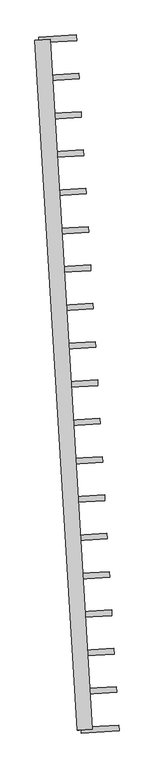
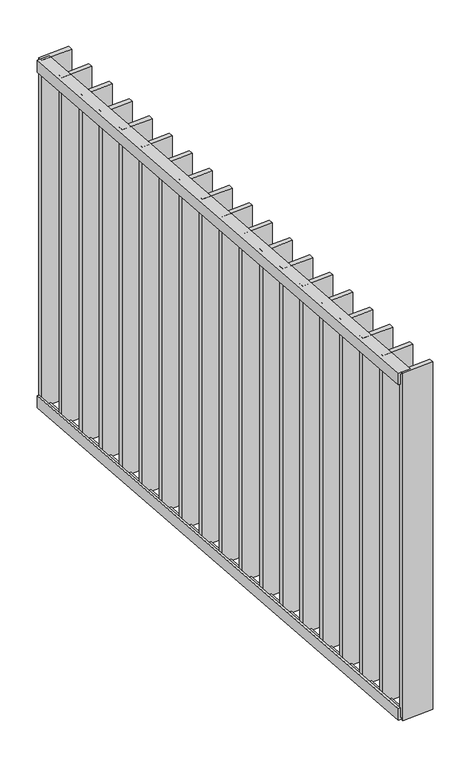
"""IFC4 building model written with IfcOpenShell, lengths in millimetres: railing geometry."""

import ifcopenshell
import ifcopenshell.guid

model = None  # the IFC model being written
_history = None  # IfcOwnerHistory: only IFC2X3 demands one
_inside = {}  # id of a spatial element -> (the spatial element, [elements in it])
_under = {}  # id of a project, library or spatial element -> (it, [spatial elements below it])
_declared = {}  # id of a project -> (the project, [libraries it declares])
_typed = {}  # id of a type object -> (the type object, [elements of that type])
_made_of = {}  # id of a material, layer set ... -> (it, [elements and type objects made of it])


def new_model(schema):
    """Start an empty IFC model of exactly this schema.

    Asked for "IFC4X3", IfcOpenShell would pick the latest addendum, in which some entities
    have other attributes; the version numbers below select the first issue.
    IFC2X3 requires an IfcOwnerHistory on every rooted entity: one is made here for all.
    """
    global model, _history
    if schema == "IFC4X3":
        model = ifcopenshell.file(schema_version=(4, 3, 0, 0))
    else:
        model = ifcopenshell.file(schema=schema)
    _inside.clear()
    _under.clear()
    _declared.clear()
    _typed.clear()
    _made_of.clear()
    _history = None
    if model.schema == "IFC2X3":
        org = make("IfcOrganization", Name="unknown")
        user = make(
            "IfcPersonAndOrganization",
            ThePerson=make("IfcPerson", FamilyName="unknown"),
            TheOrganization=org,
        )
        app = make(
            "IfcApplication",
            ApplicationDeveloper=org,
            Version="unknown",
            ApplicationFullName="unknown",
            ApplicationIdentifier="unknown",
        )
        _history = make(
            "IfcOwnerHistory",
            OwningUser=user,
            OwningApplication=app,
            ChangeAction="ADDED",
            CreationDate=0,
        )
    return model


def make(cls, **values):
    """One entity of the class cls with the attributes given. An attribute that is None is left unset."""
    return model.create_entity(
        cls, **{name: value for name, value in values.items() if value is not None}
    )


def rooted(cls, **values):
    """An entity with a GlobalId (a new one), such as an element, a storey or a relation."""
    return make(cls, GlobalId=ifcopenshell.guid.new(), OwnerHistory=_history, **values)


def si_unit(unit_type, name, prefix=None):
    """IfcSIUnit, for example si_unit("LENGTHUNIT", "METRE", prefix="MILLI")."""
    return make("IfcSIUnit", UnitType=unit_type, Prefix=prefix, Name=name)


def assignment(units):
    """IfcUnitAssignment: the units of a project."""
    return None if units is None else make("IfcUnitAssignment", Units=units)


def point(xyz):
    """IfcCartesianPoint."""
    return None if xyz is None else make("IfcCartesianPoint", Coordinates=xyz)


def direction(xyz):
    """IfcDirection."""
    return None if xyz is None else make("IfcDirection", DirectionRatios=xyz)


def frame(location, z_axis=None, x_axis=None):
    """IfcAxis2Placement3D, a coordinate frame: its origin and axes. An axis left out is left unset."""
    return make(
        "IfcAxis2Placement3D",
        Location=point(location),
        Axis=direction(z_axis),
        RefDirection=direction(x_axis),
    )


def origin():
    """The frame at (0, 0, 0) with its axes left unset."""
    return frame((0.0, 0.0, 0.0))


def place(relative_to, where):
    """IfcLocalPlacement: puts the frame where relative to a parent placement (None: the world)."""
    return make(
        "IfcLocalPlacement", PlacementRelTo=relative_to, RelativePlacement=where
    )


def context(
    kind, dimensions, precision=None, world=None, true_north=None, identifier=None
):
    """IfcGeometricRepresentationContext, for example the 3D "Model" context."""
    return make(
        "IfcGeometricRepresentationContext",
        ContextIdentifier=identifier,
        ContextType=kind,
        CoordinateSpaceDimension=dimensions,
        Precision=precision,
        WorldCoordinateSystem=world,
        TrueNorth=true_north,
    )


def project(units=None, contexts=None):
    """IfcProject with its units and contexts."""
    return rooted(
        "IfcProject",
        Name="project",
        RepresentationContexts=contexts,
        UnitsInContext=assignment(units),
    )


def spatial(cls, under=None, at=None, **own):
    """A site, building, storey or space (cls), placed at a placement, below another one or the project."""
    s = rooted(cls, ObjectPlacement=at, **own)
    if under is not None:
        _under.setdefault(under.id(), (under, []))[1].append(s)
    return s


def polyline(points):
    """IfcPolyline through the points."""
    return make("IfcPolyline", Points=[point(p) for p in points])


def outline(outer, holes=None, kind="AREA"):
    """IfcArbitraryClosedProfileDef: a profile drawn as a closed curve; with holes, ...WithVoids."""
    if holes is None:
        return make("IfcArbitraryClosedProfileDef", ProfileType=kind, OuterCurve=outer)
    return make(
        "IfcArbitraryProfileDefWithVoids",
        ProfileType=kind,
        OuterCurve=outer,
        InnerCurves=holes,
    )


def extrude(swept, where, along, depth):
    """IfcExtrudedAreaSolid: the profile swept, set in the frame where, extruded along a direction by depth."""
    return make(
        "IfcExtrudedAreaSolid",
        SweptArea=swept,
        Position=where,
        ExtrudedDirection=direction(along),
        Depth=depth,
    )


def shape(context_of_items, identifier, shape_type, items):
    """IfcShapeRepresentation: the items that make up one representation, for example the "Body"."""
    return make(
        "IfcShapeRepresentation",
        ContextOfItems=context_of_items,
        RepresentationIdentifier=identifier,
        RepresentationType=shape_type,
        Items=items,
    )


def source(mapping_origin, context_of_items, identifier, shape_type, items):
    """IfcRepresentationMap: a shape defined once, which mapped items show again and again."""
    return make(
        "IfcRepresentationMap",
        MappingOrigin=mapping_origin,
        MappedRepresentation=shape(context_of_items, identifier, shape_type, items),
    )


def transform(
    local_origin,
    x_axis=None,
    y_axis=None,
    z_axis=None,
    scale=None,
    scale2=None,
    scale3=None,
    uniform=True,
):
    """IfcCartesianTransformationOperator3D, or its non-uniform kind. x_axis, y_axis, z_axis: its Axis1, 2, 3."""
    if uniform:
        return make(
            "IfcCartesianTransformationOperator3D",
            Axis1=direction(x_axis),
            Axis2=direction(y_axis),
            LocalOrigin=point(local_origin),
            Scale=scale,
            Axis3=direction(z_axis),
        )
    return make(
        "IfcCartesianTransformationOperator3DnonUniform",
        Axis1=direction(x_axis),
        Axis2=direction(y_axis),
        LocalOrigin=point(local_origin),
        Scale=scale,
        Axis3=direction(z_axis),
        Scale2=scale2,
        Scale3=scale3,
    )


def mapped(mapping_source, mapping_target):
    """IfcMappedItem: shows the shape of a source again, moved by a transform."""
    return make(
        "IfcMappedItem", MappingSource=mapping_source, MappingTarget=mapping_target
    )


def made_of(thing, what):
    """Note that an element or type object is made of a material, layer set ...; save() writes the relation."""
    if what is not None:
        _made_of.setdefault(what.id(), (what, []))[1].append(thing)
    return thing


def element(
    cls,
    number,
    at=None,
    inside=None,
    cuts=None,
    type_object=None,
    material=None,
    context=None,
    identifier="Body",
    shape_type=None,
    held_by="IfcProductDefinitionShape",
    body=None,
    shapes=None,
    **own,
):
    """One element of the class cls, such as IfcWall. Its Tag is "e" and its number.

    at: its placement. inside: the storey or other place that contains it. cuts: it is an
    opening in that element (IfcRelVoidsElement). A single representation is given by context,
    identifier, shape_type and body (its items); several are given by shapes. held_by: the class
    of the entity that holds the representations. save() writes the other relations.
    """
    e = rooted(cls, Tag="e%d" % number, ObjectPlacement=at, **own)
    if body is not None:
        shapes = [shape(context, identifier, shape_type, body)]
    if shapes is not None:
        e.Representation = make(held_by, Representations=shapes)
    if inside is not None:
        _inside.setdefault(inside.id(), (inside, []))[1].append(e)
    if cuts is not None:
        rooted(
            "IfcRelVoidsElement", RelatingBuildingElement=cuts, RelatedOpeningElement=e
        )
    if type_object is not None:
        _typed.setdefault(type_object.id(), (type_object, []))[1].append(e)
    return made_of(e, material)


def aggregate(whole, parts):
    """IfcRelAggregates: a whole, such as a stair, and the parts it consists of."""
    return rooted("IfcRelAggregates", RelatingObject=whole, RelatedObjects=parts)


def save(model, path):
    """Write the relations noted so far, then the file.

    IfcRelAggregates (storeys below a building ...), IfcRelContainedInSpatialStructure (elements
    in a storey), IfcRelDefinesByType, IfcRelAssociatesMaterial and IfcRelDeclares: one each for
    every whole, place, type object, material and project.
    """
    for whole, parts in _under.values():
        aggregate(whole, parts)
    for where, things in _inside.values():
        rooted(
            "IfcRelContainedInSpatialStructure",
            RelatedElements=things,
            RelatingStructure=where,
        )
    for kind, things in _typed.values():
        rooted("IfcRelDefinesByType", RelatedObjects=things, RelatingType=kind)
    for what, things in _made_of.values():
        rooted("IfcRelAssociatesMaterial", RelatedObjects=things, RelatingMaterial=what)
    for by, libraries in _declared.values():
        rooted("IfcRelDeclares", RelatingContext=by, RelatedDefinitions=libraries)
    model.write(path)


def railing_786505a6(model_context):
    return source(origin(), model_context, "Body", "SweptSolid", [
        extrude(outline(polyline([(-14.0, 6.0), (20.0, 6.0), (20.0, 0.0), (-20.0, 0.0), (-20.0, 40.0), (-14.0, 40.0), (-14.0, 6.0)])), frame((68138.8530496, 19438.8704533, 8000.0), z_axis=(-0.061048539537374644, 0.998134798421713, 0.0), x_axis=(0.998134798421713, 0.061048539537374644, 0.0)), (0.0, 0.0, 1.0), 1820.0),
        extrude(outline(polyline([(-14.0, -6.0), (-14.0, -40.0), (-20.0, -40.0), (-20.0, 0.0), (20.0, 0.0), (20.0, -6.0), (-14.0, -6.0)])), frame((68138.8530496, 19438.8704533, 6820.0), z_axis=(-0.061048539537374644, 0.998134798421713, 0.0), x_axis=(0.998134798421713, 0.061048539537374644, 0.0)), (0.0, 0.0, 1.0), 1820.0),
        extrude(outline(polyline([(68024.3939094, 21146.4567715), (68023.4781813, 21161.4287935), (68123.2916611, 21167.5336474), (68124.2073892, 21152.5616255), (68024.3939094, 21146.4567715)])), frame((0.0, 0.0, 6819.9), z_axis=(0.0, 0.0, 1.0), x_axis=(1.0, 0.0, 0.0)), (0.0, 0.0, 1.0), 1180.2),
        extrude(outline(polyline([(68030.5665951, 21045.534253), (68029.650867, 21060.506275), (68129.4643468, 21066.6111289), (68130.3800749, 21051.639107), (68030.5665951, 21045.534253)])), frame((0.0, 0.0, 6819.9), z_axis=(0.0, 0.0, 1.0), x_axis=(1.0, 0.0, 0.0)), (0.0, 0.0, 1.0), 1180.2),
        extrude(outline(polyline([(68036.7392807, 20944.6117345), (68035.8235526, 20959.5837565), (68135.6370325, 20965.6886104), (68136.5527606, 20950.7165885), (68036.7392807, 20944.6117345)])), frame((0.0, 0.0, 6819.9), z_axis=(0.0, 0.0, 1.0), x_axis=(1.0, 0.0, 0.0)), (0.0, 0.0, 1.0), 1180.2),
        extrude(outline(polyline([(68042.9119664, 20843.689216), (68041.9962383, 20858.661238), (68141.8097181, 20864.7660919), (68142.7254462, 20849.7940699), (68042.9119664, 20843.689216)])), frame((0.0, 0.0, 6819.9), z_axis=(0.0, 0.0, 1.0), x_axis=(1.0, 0.0, 0.0)), (0.0, 0.0, 1.0), 1180.2),
        extrude(outline(polyline([(68049.084652, 20742.7666975), (68048.1689239, 20757.7387195), (68147.9824038, 20763.8435734), (68148.8981319, 20748.8715514), (68049.084652, 20742.7666975)])), frame((0.0, 0.0, 6819.9), z_axis=(0.0, 0.0, 1.0), x_axis=(1.0, 0.0, 0.0)), (0.0, 0.0, 1.0), 1180.2),
        extrude(outline(polyline([(68055.2573377, 20641.844179), (68054.3416096, 20656.816201), (68154.1550895, 20662.9210549), (68155.0708175, 20647.9490329), (68055.2573377, 20641.844179)])), frame((0.0, 0.0, 6819.9), z_axis=(0.0, 0.0, 1.0), x_axis=(1.0, 0.0, 0.0)), (0.0, 0.0, 1.0), 1180.2),
        extrude(outline(polyline([(68061.4300234, 20540.9216605), (68060.5142953, 20555.8936824), (68160.3277751, 20561.9985364), (68161.2435032, 20547.0265144), (68061.4300234, 20540.9216605)])), frame((0.0, 0.0, 6819.9), z_axis=(0.0, 0.0, 1.0), x_axis=(1.0, 0.0, 0.0)), (0.0, 0.0, 1.0), 1180.2),
        extrude(outline(polyline([(68067.602709, 20439.999142), (68066.6869809, 20454.9711639), (68166.5004608, 20461.0760179), (68167.4161889, 20446.1039959), (68067.602709, 20439.999142)])), frame((0.0, 0.0, 6819.9), z_axis=(0.0, 0.0, 1.0), x_axis=(1.0, 0.0, 0.0)), (0.0, 0.0, 1.0), 1180.2),
        extrude(outline(polyline([(68073.7753947, 20339.0766235), (68072.8596666, 20354.0486454), (68172.6731464, 20360.1534994), (68173.5888745, 20345.1814774), (68073.7753947, 20339.0766235)])), frame((0.0, 0.0, 6819.9), z_axis=(0.0, 0.0, 1.0), x_axis=(1.0, 0.0, 0.0)), (0.0, 0.0, 1.0), 1180.2),
        extrude(outline(polyline([(68079.9480804, 20238.154105), (68079.0323523, 20253.1261269), (68178.8458321, 20259.2309809), (68179.7615602, 20244.2589589), (68079.9480804, 20238.154105)])), frame((0.0, 0.0, 6819.9), z_axis=(0.0, 0.0, 1.0), x_axis=(1.0, 0.0, 0.0)), (0.0, 0.0, 1.0), 1180.2),
        extrude(outline(polyline([(68086.120766, 20137.2315864), (68085.2050379, 20152.2036084), (68185.0185178, 20158.3084624), (68185.9342459, 20143.3364404), (68086.120766, 20137.2315864)])), frame((0.0, 0.0, 6819.9), z_axis=(0.0, 0.0, 1.0), x_axis=(1.0, 0.0, 0.0)), (0.0, 0.0, 1.0), 1180.2),
        extrude(outline(polyline([(68092.2934517, 20036.3090679), (68091.3777236, 20051.2810899), (68191.1912034, 20057.3859439), (68192.1069315, 20042.4139219), (68092.2934517, 20036.3090679)])), frame((0.0, 0.0, 6819.9), z_axis=(0.0, 0.0, 1.0), x_axis=(1.0, 0.0, 0.0)), (0.0, 0.0, 1.0), 1180.2),
        extrude(outline(polyline([(68098.4661374, 19935.3865494), (68097.5504093, 19950.3585714), (68197.3638891, 19956.4634254), (68198.2796172, 19941.4914034), (68098.4661374, 19935.3865494)])), frame((0.0, 0.0, 6819.9), z_axis=(0.0, 0.0, 1.0), x_axis=(1.0, 0.0, 0.0)), (0.0, 0.0, 1.0), 1180.2),
        extrude(outline(polyline([(68104.638823, 19834.4640309), (68103.7230949, 19849.4360529), (68203.5365748, 19855.5409069), (68204.4523029, 19840.5688849), (68104.638823, 19834.4640309)])), frame((0.0, 0.0, 6819.9), z_axis=(0.0, 0.0, 1.0), x_axis=(1.0, 0.0, 0.0)), (0.0, 0.0, 1.0), 1180.2),
        extrude(outline(polyline([(68110.8115087, 19733.5415124), (68109.8957806, 19748.5135344), (68209.7092604, 19754.6183883), (68210.6249885, 19739.6463664), (68110.8115087, 19733.5415124)])), frame((0.0, 0.0, 6819.9), z_axis=(0.0, 0.0, 1.0), x_axis=(1.0, 0.0, 0.0)), (0.0, 0.0, 1.0), 1180.2),
        extrude(outline(polyline([(68116.9841944, 19632.6189939), (68116.0684663, 19647.5910159), (68215.8819461, 19653.6958698), (68216.7976742, 19638.7238479), (68116.9841944, 19632.6189939)])), frame((0.0, 0.0, 6819.9), z_axis=(0.0, 0.0, 1.0), x_axis=(1.0, 0.0, 0.0)), (0.0, 0.0, 1.0), 1180.2),
        extrude(outline(polyline([(68123.15688, 19531.6964754), (68122.2411519, 19546.6684974), (68222.0546318, 19552.7733513), (68222.9703599, 19537.8013294), (68123.15688, 19531.6964754)])), frame((0.0, 0.0, 6819.9), z_axis=(0.0, 0.0, 1.0), x_axis=(1.0, 0.0, 0.0)), (0.0, 0.0, 1.0), 1180.2),
        extrude(outline(polyline([(68018.2212237, 21247.37929), (68017.3054956, 21262.351312), (68117.1189755, 21268.456166), (68118.0347036, 21253.484144), (68018.2212237, 21247.37929)])), frame((0.0, 0.0, 6819.9), z_axis=(0.0, 0.0, 1.0), x_axis=(1.0, 0.0, 0.0)), (0.0, 0.0, 1.0), 1180.2),
        extrude(outline(polyline([(68129.3295657, 19430.7739569), (68128.4138376, 19445.7459789), (68228.2273174, 19451.8508328), (68229.1430455, 19436.8788108), (68129.3295657, 19430.7739569)])), frame((0.0, 0.0, 6819.9), z_axis=(0.0, 0.0, 1.0), x_axis=(1.0, 0.0, 0.0)), (0.0, 0.0, 1.0), 1180.2),
    ])


if __name__ == "__main__":
    model = new_model("IFC4")
    model_context = context("Model", 3, world=origin())
    ifc_project = project(units=[si_unit("LENGTHUNIT", "METRE", prefix="MILLI")], contexts=[model_context])
    site = spatial("IfcSite", under=ifc_project)
    building = spatial("IfcBuilding", under=site)
    placement = place(None, origin())
    railing_shape = railing_786505a6(model_context)
    element("IfcRailing", 1, at=placement, inside=building, context=model_context, shape_type="MappedRepresentation", body=[
        mapped(railing_shape, transform((0.0, 0.0, 0.0), x_axis=(1.0, 0.0, 0.0), y_axis=(0.0, 1.0, 0.0), z_axis=(0.0, 0.0, 1.0))),
    ])
    save(model, "model.ifc")
